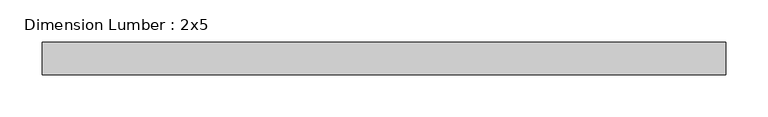
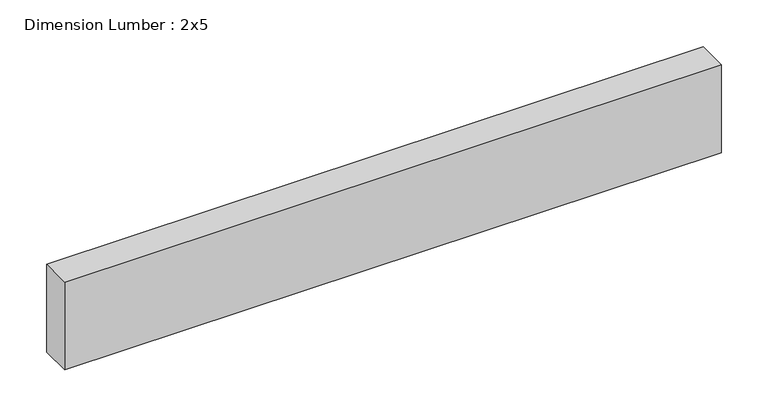
"""IFC4 building model written with IfcOpenShell, lengths in millimetres: beam geometry, Dimension Lumber : 2x5."""

from ifc_helpers import new_model, si_unit, frame, origin, place, context, project, spatial, polyline, outline, extrude, source, transform, mapped, element, save


def dimension_lumber_2x5_73e40330(model_context):
    return source(origin(), model_context, "Body", "SweptSolid", [
        extrude(outline(polyline([(403.6751501, 19.05), (403.6751501, -19.05), (-403.6751501, -19.05), (-403.6751501, 19.05), (403.6751501, 19.05)])), frame((0.0, 0.0, -57.15), z_axis=(0.0, 0.0, 1.0), x_axis=(1.0, 0.0, 0.0)), (0.0, 0.0, 1.0), 114.3),
    ])


if __name__ == "__main__":
    model = new_model("IFC4")
    model_context = context("Model", 3, world=origin())
    ifc_project = project(units=[si_unit("LENGTHUNIT", "METRE", prefix="MILLI")], contexts=[model_context])
    site = spatial("IfcSite", under=ifc_project)
    building = spatial("IfcBuilding", under=site)
    placement = place(None, origin())
    dimension_lumber_2x5_shape = dimension_lumber_2x5_73e40330(model_context)
    element("IfcBeam", 1, ObjectType="Dimension Lumber : 2x5", at=placement, inside=building, context=model_context, shape_type="MappedRepresentation", body=[
        mapped(dimension_lumber_2x5_shape, transform((0.0, 0.0, 0.0), x_axis=(1.0, 0.0, 0.0), y_axis=(0.0, 1.0, 0.0), z_axis=(0.0, 0.0, 1.0))),
    ])
    save(model, "model.ifc")
